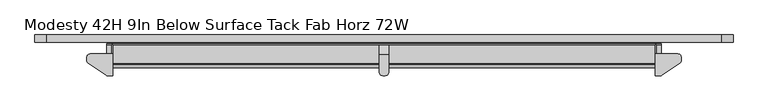
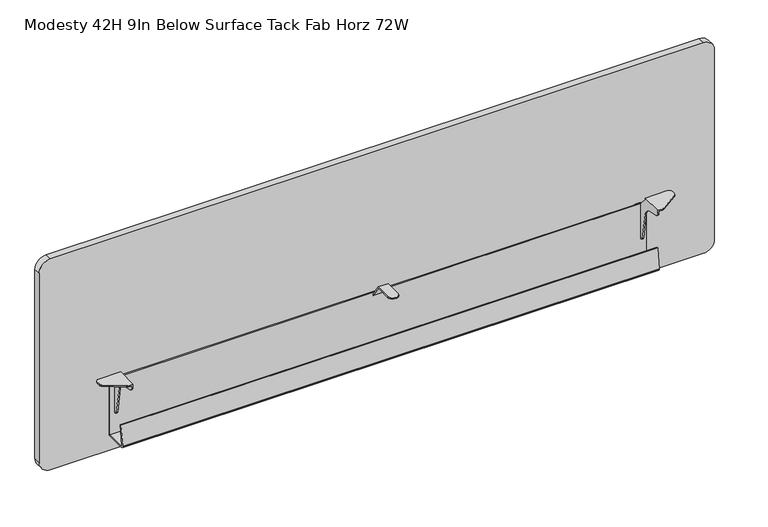
"""IFC4 building model written with IfcOpenShell, lengths in millimetres: furniture geometry, Modesty 42H 9In Below Surface Tack Fab Horz 72W."""

from ifc_helpers import new_model, si_unit, point, frame, frame_2d, origin, place, context, project, spatial, polyline, circle_curve, trimmed, segment, composite_curve, outline, extrude, faceted_brep, source, transform, mapped, element, save


def modesty_42h_9in_below_surface_tack_fab_horz_72w_310beaf0(model_context):
    return source(origin(), model_context, "Body", "SolidModel", [
        faceted_brep([(1659.3570723, -28.1940001, 1307.6680118), (1602.588081, -28.1940001, 1307.6680118), (1602.588081, -84.8360008, 1307.6680118), (1613.6913731, -84.8360008, 1307.6680118), (1615.5360279, -84.6556703, 1307.6680118), (1617.3108288, -84.1215187, 1307.6680118), (1618.948574, -83.2537619, 1307.6680118), (1664.6142732, -53.0282948, 1307.6680118), (1666.8968646, -50.905943, 1307.6680118), (1668.3721197, -48.1603598, 1307.6680118), (1668.8820723, -45.0855338, 1307.6680118), (1668.8820723, -37.7190004, 1307.6680118), (1667.6059692, -32.9564998, 1307.6680118), (1664.1195723, -29.470108, 1307.6680118), (1602.588081, -84.8360008, 1300.0365736), (1605.636069, -84.8360008, 1300.0365736), (1605.636069, -84.8360008, 1304.6200147), (1613.6913731, -84.8360008, 1304.6200147), (1605.636069, 0.0, 1182.4460404), (1592.8090812, 0.0, 1182.4460404), (1588.0465812, 0.0, 1183.7221617), (1584.5601843, 0.0, 1187.2085404), (1583.2840812, 0.0, 1191.9710404), (1583.2840812, 0.0, 1268.1710041), (1584.5601843, 0.0, 1272.9335041), (1588.0465812, 0.0, 1276.4199192), (1592.8090812, 0.0, 1277.6960041), (1605.636069, 0.0, 1277.6960041), (1605.636069, -28.1940001, 1304.6200147), (1659.3570723, -28.1940001, 1304.6200147), (1664.1195723, -29.470108, 1304.6200147), (1667.6059692, -32.9564998, 1304.6200147), (1668.8820723, -37.7190004, 1304.6200147), (1668.8820723, -45.0855338, 1304.6200147), (1668.3721197, -48.1603598, 1304.6200147), (1666.8968646, -50.905943, 1304.6200147), (1664.6142732, -53.0282948, 1304.6200147), (1618.948574, -83.2537619, 1304.6200147), (1617.3108288, -84.1215187, 1304.6200147), (1615.5360279, -84.6556703, 1304.6200147), (1605.636069, -83.485134, 1294.3368488), (1605.636069, -79.719916, 1289.8496227), (1605.636069, -74.3413335, 1287.5295608), (1605.636069, -48.1471565, 1282.9108021), (1605.636069, -38.6002931, 1279.118083), (1605.636069, -31.336431, 1271.8542095), (1605.636069, -27.5437042, 1262.3073358), (1605.636069, -14.3872464, 1187.6933582), (1605.636069, -13.2271995, 1185.0040965), (1605.636069, -10.9835922, 1183.1214716), (1605.636069, -8.1337173, 1182.4460404), (1605.636069, -5.0799997, 1277.6960041), (1605.636069, -28.1940001, 1302.5880167), (1602.588081, -28.1940001, 1302.5880167), (1602.588081, -5.0799997, 1277.6960041), (1592.8090812, -3.0479994, 1277.6960041), (1602.588081, -3.0479994, 1277.6960041), (1602.588081, -79.719916, 1289.8496227), (1602.588081, -74.3413335, 1287.5295608), (1602.588081, -83.485134, 1294.3368488), (1602.588081, -8.1337173, 1182.4460404), (1602.588081, -3.0479994, 1182.4460404), (1592.8090812, -3.0479994, 1182.4460404), (1602.588081, -10.9835922, 1183.1214716), (1602.588081, -13.2271995, 1185.0040965), (1602.588081, -14.3872464, 1187.6933582), (1602.588081, -27.5437042, 1262.3073358), (1602.588081, -31.336431, 1271.8542095), (1602.588081, -38.6002931, 1279.118083), (1602.588081, -48.1471565, 1282.9108021), (1588.0465812, -3.0479994, 1276.4199192), (1584.5601843, -3.0479994, 1272.9335041), (1583.2840812, -3.0479994, 1268.1710041), (1583.2840812, -3.0479994, 1191.9710404), (1584.5601843, -3.0479994, 1187.2085404), (1588.0465812, -3.0479994, 1183.7221617)], [[[0, 1, 2, 3, 4, 5, 6, 7, 8, 9, 10, 11, 12, 13]], [[3, 2, 14, 15, 16, 17]], [[18, 19, 20, 21, 22, 23, 24, 25, 26, 27]], [[28, 29, 30, 31, 32, 33, 34, 35, 36, 37, 38, 39, 17, 16]], [[16, 15, 40, 41, 42, 43, 44, 45, 46, 47, 48, 49, 50, 18, 27, 51, 52, 28]], [[29, 28, 52, 53, 1, 0]], [[13, 30, 29, 0]], [[12, 31, 30, 13]], [[11, 32, 31, 12]], [[10, 33, 32, 11]], [[9, 34, 33, 10]], [[8, 35, 34, 9]], [[7, 36, 35, 8]], [[6, 37, 36, 7]], [[5, 38, 37, 6]], [[4, 39, 38, 5]], [[3, 17, 39, 4]], [[51, 54, 53, 52]], [[27, 26, 55, 56, 54, 51]], [[41, 57, 58, 42]], [[40, 59, 57, 41]], [[15, 14, 59, 40]], [[50, 60, 61, 62, 19, 18]], [[49, 63, 60, 50]], [[48, 64, 63, 49]], [[47, 65, 64, 48]], [[46, 66, 65, 47]], [[45, 67, 66, 46]], [[44, 68, 67, 45]], [[43, 69, 68, 44]], [[42, 58, 69, 43]], [[61, 60, 63, 64, 65, 66, 67, 68, 69, 58, 57, 59, 14, 2, 1, 53, 54, 56]], [[56, 55, 70, 71, 72, 73, 74, 75, 62, 61]], [[70, 55, 26, 25]], [[25, 24, 71, 70]], [[24, 23, 72, 71]], [[23, 22, 73, 72]], [[22, 21, 74, 73]], [[21, 20, 75, 74]], [[20, 19, 62, 75]]]),
        faceted_brep([(166.4078114, -28.1940001, 1307.6680118), (161.6453114, -29.470108, 1307.6680118), (158.1589145, -32.9564998, 1307.6680118), (156.8828114, -37.7190004, 1307.6680118), (156.8828114, -45.0855338, 1307.6680118), (157.3927639, -48.1603598, 1307.6680118), (158.8680191, -50.905943, 1307.6680118), (161.1506105, -53.0282948, 1307.6680118), (206.8163097, -83.2537619, 1307.6680118), (208.4540549, -84.1215187, 1307.6680118), (210.2288557, -84.6556703, 1307.6680118), (212.0735106, -84.8360008, 1307.6680118), (223.1768027, -84.8360008, 1307.6680118), (223.1768027, -28.1940001, 1307.6680118), (212.0735106, -84.8360008, 1304.6200147), (220.1288147, -84.8360008, 1304.6200147), (220.1288147, -84.8360008, 1300.0365736), (223.1768027, -84.8360008, 1300.0365736), (220.1288147, 0.0, 1182.4460404), (220.1288147, 0.0, 1277.6960041), (232.9558024, 0.0, 1277.6960041), (237.7183024, 0.0, 1276.4199192), (241.2046994, 0.0, 1272.9335041), (242.4808024, 0.0, 1268.1710041), (242.4808024, 0.0, 1191.9710404), (241.2046994, 0.0, 1187.2085404), (237.7183024, 0.0, 1183.7221617), (232.9558024, 0.0, 1182.4460404), (220.1288147, -28.1940001, 1304.6200147), (210.2288557, -84.6556703, 1304.6200147), (208.4540549, -84.1215187, 1304.6200147), (206.8163097, -83.2537619, 1304.6200147), (161.1506105, -53.0282948, 1304.6200147), (158.8680191, -50.905943, 1304.6200147), (157.3927639, -48.1603598, 1304.6200147), (156.8828114, -45.0855338, 1304.6200147), (156.8828114, -37.7190004, 1304.6200147), (158.1589145, -32.9564998, 1304.6200147), (161.6453114, -29.470108, 1304.6200147), (166.4078114, -28.1940001, 1304.6200147), (220.1288147, -28.1940001, 1302.5880167), (220.1288147, -5.0799997, 1277.6960041), (220.1288147, -8.1337173, 1182.4460404), (220.1288147, -10.9835922, 1183.1214716), (220.1288147, -13.2271995, 1185.0040965), (220.1288147, -14.3872464, 1187.6933582), (220.1288147, -27.5437042, 1262.3073358), (220.1288147, -31.336431, 1271.8542095), (220.1288147, -38.6002931, 1279.118083), (220.1288147, -48.1471565, 1282.9108021), (220.1288147, -74.3413335, 1287.5295608), (220.1288147, -79.719916, 1289.8496227), (220.1288147, -83.485134, 1294.3368488), (223.1768027, -28.1940001, 1302.5880167), (223.1768027, -5.0799997, 1277.6960041), (223.1768027, -3.0479994, 1277.6960041), (232.9558024, -3.0479994, 1277.6960041), (223.1768027, -74.3413335, 1287.5295608), (223.1768027, -79.719916, 1289.8496227), (223.1768027, -83.485134, 1294.3368488), (232.9558024, -3.0479994, 1182.4460404), (223.1768027, -3.0479994, 1182.4460404), (223.1768027, -8.1337173, 1182.4460404), (223.1768027, -10.9835922, 1183.1214716), (223.1768027, -13.2271995, 1185.0040965), (223.1768027, -14.3872464, 1187.6933582), (223.1768027, -27.5437042, 1262.3073358), (223.1768027, -31.336431, 1271.8542095), (223.1768027, -38.6002931, 1279.118083), (223.1768027, -48.1471565, 1282.9108021), (237.7183024, -3.0479994, 1183.7221617), (241.2046994, -3.0479994, 1187.2085404), (242.4808024, -3.0479994, 1191.9710404), (242.4808024, -3.0479994, 1268.1710041), (241.2046994, -3.0479994, 1272.9335041), (237.7183024, -3.0479994, 1276.4199192)], [[[0, 1, 2, 3, 4, 5, 6, 7, 8, 9, 10, 11, 12, 13]], [[11, 14, 15, 16, 17, 12]], [[18, 19, 20, 21, 22, 23, 24, 25, 26, 27]], [[28, 15, 14, 29, 30, 31, 32, 33, 34, 35, 36, 37, 38, 39]], [[15, 28, 40, 41, 19, 18, 42, 43, 44, 45, 46, 47, 48, 49, 50, 51, 52, 16]], [[39, 0, 13, 53, 40, 28]], [[1, 0, 39, 38]], [[2, 1, 38, 37]], [[3, 2, 37, 36]], [[4, 3, 36, 35]], [[5, 4, 35, 34]], [[6, 5, 34, 33]], [[7, 6, 33, 32]], [[8, 7, 32, 31]], [[9, 8, 31, 30]], [[10, 9, 30, 29]], [[11, 10, 29, 14]], [[41, 40, 53, 54]], [[19, 41, 54, 55, 56, 20]], [[51, 50, 57, 58]], [[52, 51, 58, 59]], [[16, 52, 59, 17]], [[42, 18, 27, 60, 61, 62]], [[43, 42, 62, 63]], [[44, 43, 63, 64]], [[45, 44, 64, 65]], [[46, 45, 65, 66]], [[47, 46, 66, 67]], [[48, 47, 67, 68]], [[49, 48, 68, 69]], [[50, 49, 69, 57]], [[61, 55, 54, 53, 13, 12, 17, 59, 58, 57, 69, 68, 67, 66, 65, 64, 63, 62]], [[55, 61, 60, 70, 71, 72, 73, 74, 75, 56]], [[75, 21, 20, 56]], [[21, 75, 74, 22]], [[22, 74, 73, 23]], [[23, 73, 72, 24]], [[24, 72, 71, 25]], [[25, 71, 70, 26]], [[26, 70, 60, 27]]]),
        faceted_brep([(925.576, -30.7450483, 1304.6200147), (925.576, -3.0490599, 1265.3004466), (925.576, -3.0490599, 1191.0058918), (925.576, 0.0, 1191.0058918), (925.576, 0.0, 1265.298941), (925.576, -29.6671998, 1307.6680118), (925.576, -75.4379103, 1307.6680118), (925.576, -75.4379103, 1304.6200147), (900.176, -29.6671998, 1307.6680118), (900.176, 0.0, 1265.298941), (900.176, 0.0, 1191.0058014), (900.176, -3.0490599, 1191.0058014), (900.176, -3.0490599, 1265.3004466), (900.176, -30.7450483, 1304.6200147), (900.176, -75.4380007, 1304.6200147), (900.176, -75.4380007, 1307.6680118), (924.2998909, -80.2005007, 1304.6200147), (920.8134758, -83.6868931, 1304.6200147), (916.0509758, -84.9630007, 1304.6200147), (909.701, -84.9630007, 1304.6200147), (904.9385, -83.6868931, 1304.6200147), (901.4520849, -80.2005007, 1304.6200147), (901.4520849, -3.0490599, 1186.2433014), (904.9385, -3.0490599, 1182.7569226), (909.701, -3.0490599, 1181.4808014), (916.0509758, -3.0490599, 1181.4808014), (920.8134758, -3.0490599, 1182.7569226), (924.2998909, -3.0490599, 1186.2433014), (909.701, 0.0, 1181.4808014), (916.0509758, 0.0, 1181.4808014), (924.2998909, 0.0, 1186.2433014), (920.8134758, 0.0, 1182.7569226), (904.9385, 0.0, 1182.7569226), (901.4520849, 0.0, 1186.2433014), (901.4520849, -80.2005007, 1307.6680118), (904.9385, -83.6868931, 1307.6680118), (909.701, -84.9630007, 1307.6680118), (916.0509758, -84.9630007, 1307.6680118), (920.8134758, -83.6868931, 1307.6680118), (924.2998909, -80.2005007, 1307.6680118)], [[[0, 1, 2, 3, 4, 5, 6, 7]], [[8, 9, 10, 11, 12, 13, 14, 15]], [[13, 0, 7, 16, 17, 18, 19, 20, 21, 14]], [[1, 0, 13, 12]], [[1, 12, 11, 22, 23, 24, 25, 26, 27, 2]], [[25, 24, 28, 29]], [[9, 4, 3, 30, 31, 29, 28, 32, 33, 10]], [[5, 4, 9, 8]], [[5, 8, 15, 34, 35, 36, 37, 38, 39, 6]], [[19, 18, 37, 36]], [[21, 34, 15, 14]], [[35, 20, 19, 36]], [[34, 21, 20, 35]], [[17, 38, 37, 18]], [[39, 16, 7, 6]], [[38, 17, 16, 39]], [[23, 32, 28, 24]], [[32, 23, 22, 33]], [[33, 22, 11, 10]], [[27, 30, 3, 2]], [[30, 27, 26, 31]], [[31, 26, 25, 29]]]),
        extrude(outline(composite_curve([segment(polyline([(1663.2682, 1770.38), (1663.2682, 55.372)]), True, "CONTINUOUS"), segment(trimmed(circle_curve(frame_2d((1633.2962, 55.372)), 29.972), [point((1663.2682, 55.372))], [point((1633.2962, 25.4))], False, "CARTESIAN"), True, "CONTINUOUS"), segment(polyline([(1633.2962, 25.4), (1108.0235282, 25.4)]), True, "CONTINUOUS"), segment(trimmed(circle_curve(frame_2d((1108.0235282, 55.372)), 29.972), [point((1108.0235282, 25.4))], [point((1078.0515282, 55.372))], False, "CARTESIAN"), True, "CONTINUOUS"), segment(polyline([(1078.0515282, 55.372), (1078.0515282, 1770.38)]), True, "CONTINUOUS"), segment(trimmed(circle_curve(frame_2d((1108.0235282, 1770.38)), 29.972), [point((1078.0515282, 1770.38))], [point((1108.0235282, 1800.352))], False, "CARTESIAN"), True, "CONTINUOUS"), segment(polyline([(1108.0235282, 1800.352), (1633.2962, 1800.352)]), True, "CONTINUOUS"), segment(trimmed(circle_curve(frame_2d((1633.2962, 1770.38)), 29.972), [point((1633.2962, 1800.352))], [point((1663.2682, 1770.38))], False, "CARTESIAN"), True, "CONTINUOUS")], self_intersect=False)), frame((0.0, 0.0, 0.0), z_axis=(0.0, 1.0, 0.0), x_axis=(0.0, 0.0, 1.0)), (0.0, 0.0, 1.0), 19.05),
        extrude(outline(polyline([(-3.048, 1278.4579489), (-3.048, 1121.4097951), (-58.2252166, 1121.4097951), (-61.6526328, 1122.4142032), (-63.9957855, 1125.1096782), (-64.5134184, 1128.6435105), (-56.9965739, 1182.1286543), (-53.8524707, 1181.6867844), (-61.3693175, 1128.2016407), (-61.1105011, 1126.4347427), (-59.9389247, 1125.0869689), (-58.2252166, 1124.584783), (-6.2210553, 1124.584783), (-6.2210553, 1278.4579489), (-3.048, 1278.4579489)])), frame((207.7525353, 0.0, 0.0), z_axis=(1.0, 0.0, 0.0), x_axis=(0.0, 1.0, 0.0)), (0.0, 0.0, 1.0), 1410.2587777),
    ])


if __name__ == "__main__":
    model = new_model("IFC4")
    model_context = context("Model", 3, world=origin())
    ifc_project = project(units=[si_unit("LENGTHUNIT", "METRE", prefix="MILLI")], contexts=[model_context])
    site = spatial("IfcSite", under=ifc_project)
    building = spatial("IfcBuilding", under=site)
    placement = place(None, origin())
    modesty_42h_9in_below_surface_tack_fab_horz_72w_shape = modesty_42h_9in_below_surface_tack_fab_horz_72w_310beaf0(model_context)
    element("IfcFurniture", 1, ObjectType="Modesty 42H 9In Below Surface Tack Fab Horz 72W", at=placement, inside=building, context=model_context, shape_type="MappedRepresentation", body=[
        mapped(modesty_42h_9in_below_surface_tack_fab_horz_72w_shape, transform((0.0, 0.0, 0.0), x_axis=(1.0, 0.0, 0.0), y_axis=(0.0, 1.0, 0.0), z_axis=(0.0, 0.0, 1.0))),
    ])
    save(model, "model.ifc")
